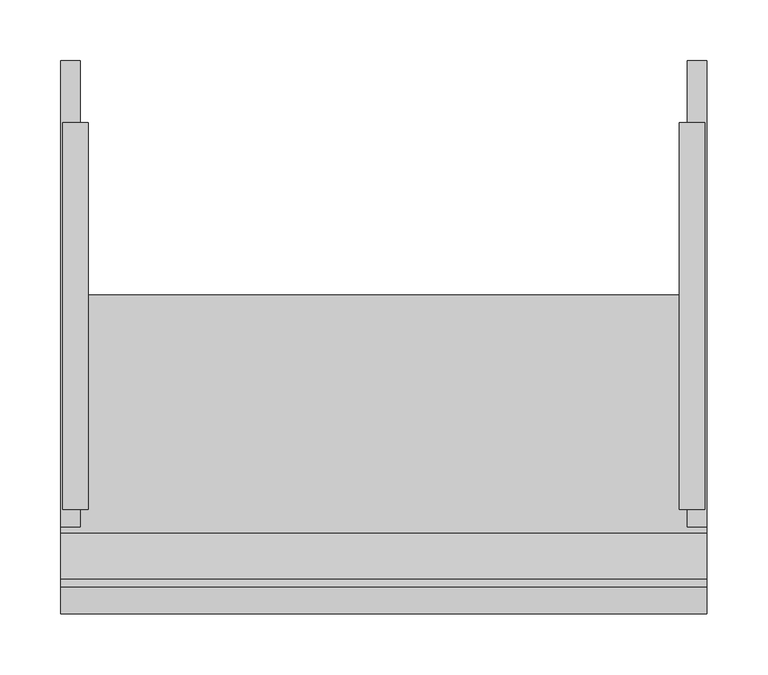
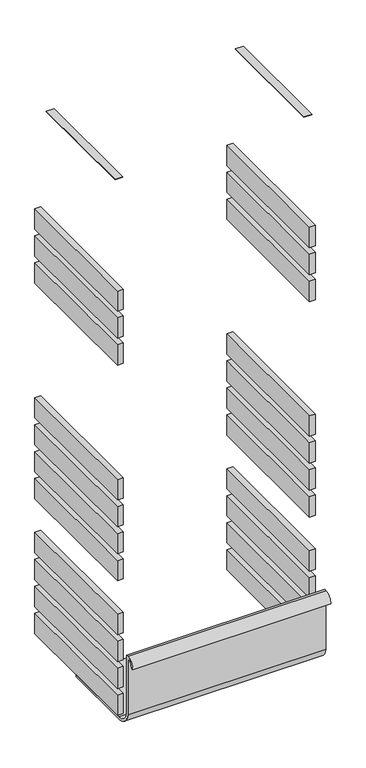
"""IFC4 building model written with IfcOpenShell, lengths in millimetres: proxy geometry."""

from ifc_helpers import new_model, si_unit, point, frame, frame_2d, origin, place, context, project, spatial, polyline, circle_curve, trimmed, segment, composite_curve, outline, extrude, source, transform, mapped, element, save


def specialty_equipment_f6ce3426(model_context):
    return source(origin(), model_context, "Body", "SweptSolid", [
        extrude(outline(polyline([(-242.7689646, 140.49375), (-242.7689646, -177.00625), (-263.525, -177.00625), (-263.525, 140.49375), (-242.7689646, 140.49375)])), frame((0.0, 0.0, 1530.35), z_axis=(0.0, 0.0, 1.0), x_axis=(1.0, 0.0, 0.0)), (0.0, 0.0, 1.0), 1.6002),
        extrude(outline(polyline([(242.7689646, 140.49375), (263.525, 140.49375), (263.525, -177.00625), (242.7689646, -177.00625), (242.7689646, 140.49375)])), frame((0.0, 0.0, 1530.35), z_axis=(0.0, 0.0, 1.0), x_axis=(1.0, 0.0, 0.0)), (0.0, 0.0, 1.0), 1.6002),
        extrude(outline(composite_curve([segment(polyline([(-234.0992151, 222.25), (-234.0992151, 57.15)]), True, "CONTINUOUS"), segment(trimmed(circle_curve(frame_2d((-196.2520567, 63.8315901)), 38.4324218), [point((-234.0992151, 57.15))], [point((-195.9992151, 25.4))], True, "CARTESIAN"), True, "CONTINUOUS"), segment(polyline([(-195.9992151, 25.4), (-0.7367151, 25.4), (-0.7367151, 19.05), (-195.9791252, 19.05)]), True, "CONTINUOUS"), segment(trimmed(circle_curve(frame_2d((-196.2520567, 63.8315901)), 44.7824218), [point((-195.9791252, 19.05))], [point((-240.5332227, 57.15))], False, "CARTESIAN"), True, "CONTINUOUS"), segment(polyline([(-240.5332227, 57.15), (-240.5332227, 215.9)]), True, "CONTINUOUS"), segment(trimmed(circle_curve(frame_2d((-240.5332227, 199.9956473)), 15.9043527), [point((-240.5332227, 215.9))], [point((-256.3586654, 198.4133086))], True, "CARTESIAN"), True, "CONTINUOUS"), segment(polyline([(-256.3586654, 198.4133086), (-262.73125, 198.4133086)]), True, "CONTINUOUS"), segment(trimmed(circle_curve(frame_2d((-240.5332227, 199.9956473)), 22.2543527), [point((-262.73125, 198.4133086))], [point((-240.5332227, 222.25))], False, "CARTESIAN"), True, "CONTINUOUS"), segment(polyline([(-240.5332227, 222.25), (-234.0992151, 222.25)]), True, "CONTINUOUS")], self_intersect=False)), frame((-265.1125, 0.0, 0.0), z_axis=(1.0, 0.0, 0.0), x_axis=(0.0, 1.0, 0.0)), (0.0, 0.0, 1.0), 530.225),
        extrude(outline(polyline([(-249.2375, -191.29375), (-265.1125, -191.29375), (-265.1125, 191.29375), (-249.2375, 191.29375), (-249.2375, -191.29375)])), frame((0.0, 0.0, 25.1968), z_axis=(0.0, 0.0, 1.0), x_axis=(1.0, 0.0, 0.0)), (0.0, 0.0, 1.0), 57.3532),
        extrude(outline(polyline([(265.1125, -191.29375), (249.2375, -191.29375), (249.2375, 191.29375), (265.1125, 191.29375), (265.1125, -191.29375)])), frame((0.0, 0.0, 25.1968), z_axis=(0.0, 0.0, 1.0), x_axis=(1.0, 0.0, 0.0)), (0.0, 0.0, 1.0), 57.3532),
        extrude(outline(polyline([(-249.2375, -191.29375), (-265.1125, -191.29375), (-265.1125, 191.29375), (-249.2375, 191.29375), (-249.2375, -191.29375)])), frame((0.0, 0.0, 101.3968), z_axis=(0.0, 0.0, 1.0), x_axis=(1.0, 0.0, 0.0)), (0.0, 0.0, 1.0), 57.3532),
        extrude(outline(polyline([(265.1125, -191.29375), (249.2375, -191.29375), (249.2375, 191.29375), (265.1125, 191.29375), (265.1125, -191.29375)])), frame((0.0, 0.0, 101.3968), z_axis=(0.0, 0.0, 1.0), x_axis=(1.0, 0.0, 0.0)), (0.0, 0.0, 1.0), 57.3532),
        extrude(outline(polyline([(-249.2375, -191.29375), (-265.1125, -191.29375), (-265.1125, 191.29375), (-249.2375, 191.29375), (-249.2375, -191.29375)])), frame((0.0, 0.0, 177.5968), z_axis=(0.0, 0.0, 1.0), x_axis=(1.0, 0.0, 0.0)), (0.0, 0.0, 1.0), 57.3532),
        extrude(outline(polyline([(265.1125, -191.29375), (249.2375, -191.29375), (249.2375, 191.29375), (265.1125, 191.29375), (265.1125, -191.29375)])), frame((0.0, 0.0, 177.5968), z_axis=(0.0, 0.0, 1.0), x_axis=(1.0, 0.0, 0.0)), (0.0, 0.0, 1.0), 57.3532),
        extrude(outline(polyline([(-249.2375, -191.29375), (-265.1125, -191.29375), (-265.1125, 191.29375), (-249.2375, 191.29375), (-249.2375, -191.29375)])), frame((0.0, 0.0, 253.7968), z_axis=(0.0, 0.0, 1.0), x_axis=(1.0, 0.0, 0.0)), (0.0, 0.0, 1.0), 57.3532),
        extrude(outline(polyline([(265.1125, -191.29375), (249.2375, -191.29375), (249.2375, 191.29375), (265.1125, 191.29375), (265.1125, -191.29375)])), frame((0.0, 0.0, 253.7968), z_axis=(0.0, 0.0, 1.0), x_axis=(1.0, 0.0, 0.0)), (0.0, 0.0, 1.0), 57.3532),
        extrude(outline(polyline([(-249.2375, -191.29375), (-265.1125, -191.29375), (-265.1125, 191.29375), (-249.2375, 191.29375), (-249.2375, -191.29375)])), frame((0.0, 0.0, 406.1968), z_axis=(0.0, 0.0, 1.0), x_axis=(1.0, 0.0, 0.0)), (0.0, 0.0, 1.0), 57.3532),
        extrude(outline(polyline([(265.1125, -191.29375), (249.2375, -191.29375), (249.2375, 191.29375), (265.1125, 191.29375), (265.1125, -191.29375)])), frame((0.0, 0.0, 406.1968), z_axis=(0.0, 0.0, 1.0), x_axis=(1.0, 0.0, 0.0)), (0.0, 0.0, 1.0), 57.3532),
        extrude(outline(polyline([(-249.2375, -191.29375), (-265.1125, -191.29375), (-265.1125, 191.29375), (-249.2375, 191.29375), (-249.2375, -191.29375)])), frame((0.0, 0.0, 482.3968), z_axis=(0.0, 0.0, 1.0), x_axis=(1.0, 0.0, 0.0)), (0.0, 0.0, 1.0), 57.3532),
        extrude(outline(polyline([(265.1125, -191.29375), (249.2375, -191.29375), (249.2375, 191.29375), (265.1125, 191.29375), (265.1125, -191.29375)])), frame((0.0, 0.0, 482.3968), z_axis=(0.0, 0.0, 1.0), x_axis=(1.0, 0.0, 0.0)), (0.0, 0.0, 1.0), 57.3532),
        extrude(outline(polyline([(-249.2375, -191.29375), (-265.1125, -191.29375), (-265.1125, 191.29375), (-249.2375, 191.29375), (-249.2375, -191.29375)])), frame((0.0, 0.0, 558.5968), z_axis=(0.0, 0.0, 1.0), x_axis=(1.0, 0.0, 0.0)), (0.0, 0.0, 1.0), 57.3532),
        extrude(outline(polyline([(265.1125, -191.29375), (249.2375, -191.29375), (249.2375, 191.29375), (265.1125, 191.29375), (265.1125, -191.29375)])), frame((0.0, 0.0, 558.5968), z_axis=(0.0, 0.0, 1.0), x_axis=(1.0, 0.0, 0.0)), (0.0, 0.0, 1.0), 57.3532),
        extrude(outline(polyline([(-249.2375, -191.29375), (-265.1125, -191.29375), (-265.1125, 191.29375), (-249.2375, 191.29375), (-249.2375, -191.29375)])), frame((0.0, 0.0, 634.7968), z_axis=(0.0, 0.0, 1.0), x_axis=(1.0, 0.0, 0.0)), (0.0, 0.0, 1.0), 57.3532),
        extrude(outline(polyline([(265.1125, -191.29375), (249.2375, -191.29375), (249.2375, 191.29375), (265.1125, 191.29375), (265.1125, -191.29375)])), frame((0.0, 0.0, 634.7968), z_axis=(0.0, 0.0, 1.0), x_axis=(1.0, 0.0, 0.0)), (0.0, 0.0, 1.0), 57.3532),
        extrude(outline(polyline([(-249.2375, -191.29375), (-265.1125, -191.29375), (-265.1125, 191.29375), (-249.2375, 191.29375), (-249.2375, -191.29375)])), frame((0.0, 0.0, 1015.7968), z_axis=(0.0, 0.0, 1.0), x_axis=(1.0, 0.0, 0.0)), (0.0, 0.0, 1.0), 57.3532),
        extrude(outline(polyline([(265.1125, -191.29375), (249.2375, -191.29375), (249.2375, 191.29375), (265.1125, 191.29375), (265.1125, -191.29375)])), frame((0.0, 0.0, 1015.7968), z_axis=(0.0, 0.0, 1.0), x_axis=(1.0, 0.0, 0.0)), (0.0, 0.0, 1.0), 57.3532),
        extrude(outline(polyline([(-249.2375, -191.29375), (-265.1125, -191.29375), (-265.1125, 191.29375), (-249.2375, 191.29375), (-249.2375, -191.29375)])), frame((0.0, 0.0, 1091.9968), z_axis=(0.0, 0.0, 1.0), x_axis=(1.0, 0.0, 0.0)), (0.0, 0.0, 1.0), 57.3532),
        extrude(outline(polyline([(265.1125, -191.29375), (249.2375, -191.29375), (249.2375, 191.29375), (265.1125, 191.29375), (265.1125, -191.29375)])), frame((0.0, 0.0, 1091.9968), z_axis=(0.0, 0.0, 1.0), x_axis=(1.0, 0.0, 0.0)), (0.0, 0.0, 1.0), 57.3532),
        extrude(outline(polyline([(-249.2375, -191.29375), (-265.1125, -191.29375), (-265.1125, 191.29375), (-249.2375, 191.29375), (-249.2375, -191.29375)])), frame((0.0, 0.0, 1168.1968), z_axis=(0.0, 0.0, 1.0), x_axis=(1.0, 0.0, 0.0)), (0.0, 0.0, 1.0), 57.3532),
        extrude(outline(polyline([(265.1125, -191.29375), (249.2375, -191.29375), (249.2375, 191.29375), (265.1125, 191.29375), (265.1125, -191.29375)])), frame((0.0, 0.0, 1168.1968), z_axis=(0.0, 0.0, 1.0), x_axis=(1.0, 0.0, 0.0)), (0.0, 0.0, 1.0), 57.3532),
    ])


if __name__ == "__main__":
    model = new_model("IFC4")
    model_context = context("Model", 3, world=origin())
    ifc_project = project(units=[si_unit("LENGTHUNIT", "METRE", prefix="MILLI")], contexts=[model_context])
    site = spatial("IfcSite", under=ifc_project)
    building = spatial("IfcBuilding", under=site)
    placement = place(None, origin())
    specialty_equipment_shape = specialty_equipment_f6ce3426(model_context)
    element("IfcBuildingElementProxy", 1, Name="Specialty Equipment", at=placement, inside=building, context=model_context, shape_type="MappedRepresentation", body=[
        mapped(specialty_equipment_shape, transform((0.0, 0.0, 0.0), x_axis=(1.0, 0.0, 0.0), y_axis=(0.0, 1.0, 0.0), z_axis=(0.0, 0.0, 1.0))),
    ])
    save(model, "model.ifc")
